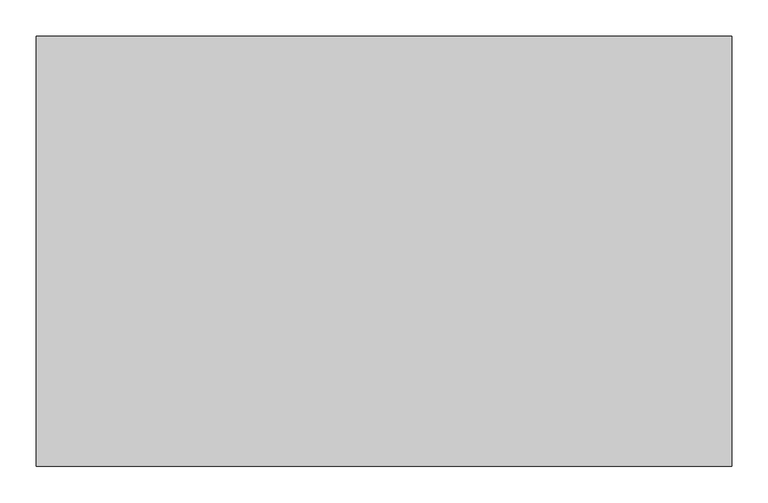
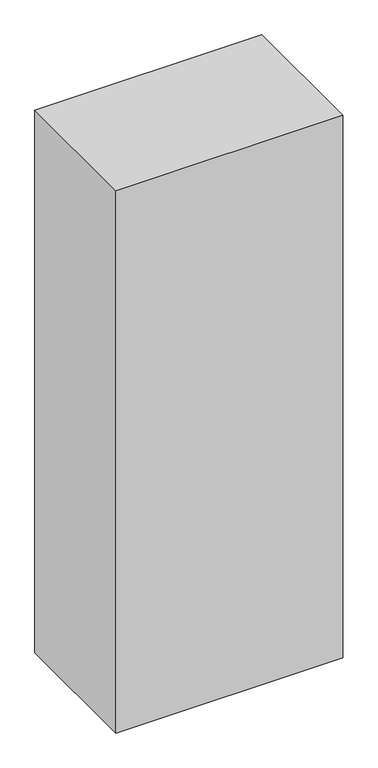
"""IFC4 building model written with IfcOpenShell, lengths in millimetres: proxy geometry."""

from ifc_helpers import new_model, si_unit, origin, origin_with_axes, place, context, project, spatial, polyline, outline, extrude, source, transform, mapped, element, save


def generic_models_1b435173(model_context):
    return source(origin(), model_context, "Body", "SweptSolid", [
        extrude(outline(polyline([(457.2, -103.1875), (457.2, -147.6375), (-457.2, -147.6375), (-457.2, -103.1875), (457.2, -103.1875)])), origin_with_axes(), (0.0, 0.0, 1.0), 2374.9),
        extrude(outline(polyline([(457.2, 22.225), (457.2, -22.225), (-457.2, -22.225), (-457.2, 22.225), (457.2, 22.225)])), origin_with_axes(), (0.0, 0.0, 1.0), 2374.9),
        extrude(outline(polyline([(457.2, 147.6375), (457.2, 103.1875), (-457.2, 103.1875), (-457.2, 147.6375), (457.2, 147.6375)])), origin_with_axes(), (0.0, 0.0, 1.0), 2374.9),
        extrude(outline(polyline([(457.2, -228.6), (457.2, -273.05), (-457.2, -273.05), (-457.2, -228.6), (457.2, -228.6)])), origin_with_axes(), (0.0, 0.0, 1.0), 2374.9),
        extrude(outline(polyline([(457.2, 273.05), (457.2, 228.6), (-457.2, 228.6), (-457.2, 273.05), (457.2, 273.05)])), origin_with_axes(), (0.0, 0.0, 1.0), 2374.9),
        extrude(outline(polyline([(482.6, 298.45), (482.6, -298.45), (-482.6, -298.45), (-482.6, 298.45), (482.6, 298.45)])), origin_with_axes(), (0.0, 0.0, 1.0), 2438.4),
    ])


if __name__ == "__main__":
    model = new_model("IFC4")
    model_context = context("Model", 3, world=origin())
    ifc_project = project(units=[si_unit("LENGTHUNIT", "METRE", prefix="MILLI")], contexts=[model_context])
    site = spatial("IfcSite", under=ifc_project)
    building = spatial("IfcBuilding", under=site)
    placement = place(None, origin())
    generic_models_shape = generic_models_1b435173(model_context)
    element("IfcBuildingElementProxy", 1, Name="Generic Models", at=placement, inside=building, context=model_context, shape_type="MappedRepresentation", body=[
        mapped(generic_models_shape, transform((0.0, 0.0, 0.0), x_axis=(1.0, 0.0, 0.0), y_axis=(0.0, 1.0, 0.0), z_axis=(0.0, 0.0, 1.0))),
    ])
    save(model, "model.ifc")
